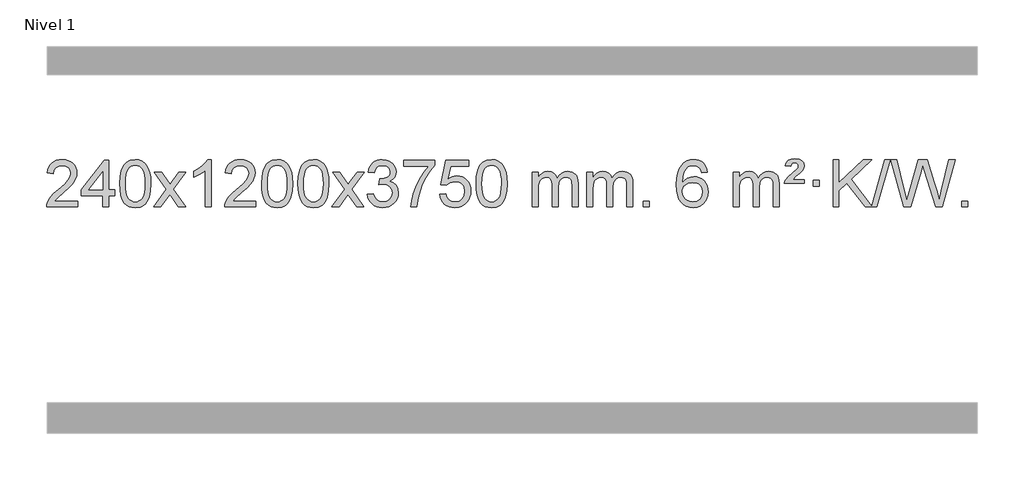
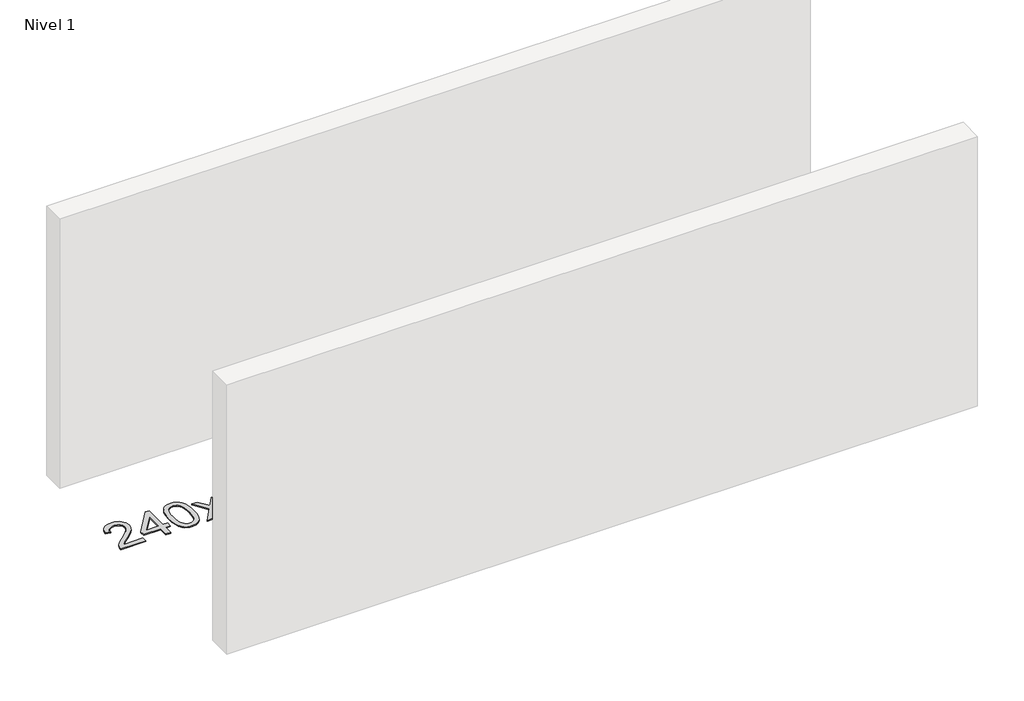
# One storey, part 5 of 14: 1 proxy.
"""IFC4 building model written with IfcOpenShell, lengths in millimetres."""

from ifc_helpers import new_model, si_unit, origin, origin_with_axes, place, context, project, spatial, polyline, outline, extrude, element, save

model = new_model("IFC4")

# Units and contexts
model_context = context("Model", 3, world=origin())
ifc_project = project(units=[si_unit("LENGTHUNIT", "METRE", prefix="MILLI")], contexts=[model_context])

# Site, building, storey
site = spatial("IfcSite", under=ifc_project)
building = spatial("IfcBuilding", under=site)
storey = spatial("IfcBuildingStorey", under=building, Name="Nivel 1", Elevation=0.0)

# Proxy
placement = place(None, origin())
element("IfcBuildingElementProxy", 1, Name="Texto de modelo 1", ObjectType="Texto de modelo 1", at=placement, inside=storey, context=model_context, shape_type="SweptSolid", body=[
    extrude(outline(polyline([(25.9073517, -24490.3512979), (25.9073517, -24540.579453), (-237.7904625, -24540.579453), (-236.6868165, -24522.8965918), (-232.3948599, -24505.9494945), (-220.0094994, -24478.8856424), (-201.8851797, -24452.6311307), (-175.6674562, -24425.1503456), (-139.001884, -24394.4076736), (-84.8006034, -24346.2641831), (-52.279835, -24310.7267824), (-36.0194508, -24281.884834), (-30.5993228, -24253.8277005), (-35.7128825, -24228.6768347), (-51.0535617, -24207.7688747), (-74.6347976, -24193.6789943), (-104.4700274, -24188.9823675), (-135.8013107, -24193.5686297), (-160.142836, -24207.3274163), (-175.8513972, -24229.1796068), (-181.283788, -24258.0460807), (-231.5119431, -24251.7675613), (-227.1923953, -24225.838012), (-219.335049, -24203.1826125), (-207.9399042, -24183.8013627), (-193.0069609, -24167.6942627), (-174.8795756, -24155.0329907), (-153.9011048, -24145.989225), (-130.0715486, -24140.5629655), (-103.3909069, -24138.7542124), (-76.4711419, -24140.7653006), (-52.512827, -24146.7985654), (-31.5159621, -24156.8540066), (-13.4805473, -24170.9316242), (1.0048063, -24187.9890861), (11.3514874, -24206.9840598), (17.5594961, -24227.9165453), (19.6288323, -24250.7865427), (17.3970149, -24274.8092369), (10.7015625, -24298.4149983), (-1.1810259, -24322.4254299), (-18.9742517, -24347.6621347), (-47.3379536, -24377.7916701), (-90.93197, -24416.4805933), (-148.7139687, -24464.795762), (-171.3754996, -24490.3512979), (25.9073517, -24490.3512979)])), origin_with_axes(), (0.0, 0.0, 1.0), 10.0),
    extrude(outline(polyline([(239.3770108, -24540.579453), (239.3770108, -24446.4016622), (57.2999486, -24446.4016622), (57.2999486, -24396.1735072), (251.9340495, -24145.0327318), (289.6051658, -24145.0327318), (289.6051658, -24396.1735072), (339.8333209, -24396.1735072), (339.8333209, -24446.4016622), (289.6051658, -24446.4016622), (289.6051658, -24540.579453), (239.3770108, -24540.579453)]), holes=[polyline([(239.3770108, -24396.1735072), (239.3770108, -24240.9763561), (119.1041238, -24396.1735072), (239.3770108, -24396.1735072)])]), origin_with_axes(), (0.0, 0.0, 1.0), 10.0),
    extrude(outline(polyline([(383.7829566, -24342.9041943), (387.4740393, -24278.5861588), (398.5472873, -24227.2911459), (416.8923362, -24188.2343407), (428.7503991, -24173.0009605), (442.3988212, -24160.6309284), (457.8835875, -24151.0598651), (475.2506833, -24144.2233914), (515.6318637, -24138.7542124), (546.5830022, -24141.991574), (574.2967792, -24151.7036586), (597.4733449, -24167.5103217), (614.8128496, -24189.0314184), (627.9094486, -24216.0830078), (638.3572973, -24248.4811488), (645.1999024, -24289.6226186), (647.4807707, -24342.9041943), (643.8264762, -24406.8543477), (632.8635928, -24458.0267333), (614.6289086, -24497.1203266), (602.7984367, -24512.3996922), (589.1592118, -24524.8341036), (573.6560514, -24534.4695462), (556.2337732, -24541.3520052), (515.6318637, -24546.8579724), (487.9671376, -24544.4667394), (463.4416713, -24537.2930405), (442.0554646, -24525.3368757), (423.8085177, -24508.5982449), (406.2973347, -24478.3399508), (393.7893469, -24440.6381776), (386.2845542, -24395.4929255), (383.7829566, -24342.9041943)]), holes=[polyline([(434.0111117, -24342.8060924), (435.4826396, -24386.4706195), (439.8972236, -24421.8148822), (447.2548635, -24448.8388804), (457.5555594, -24467.5426142), (470.0144963, -24480.2682656), (483.8468593, -24489.3580165), (499.0526484, -24494.8118671), (515.6318637, -24496.6298173), (532.2110789, -24494.8057357), (547.416868, -24489.3334911), (561.2492311, -24480.2130833), (573.708168, -24467.4445124), (584.0088638, -24448.7101217), (591.3665037, -24421.6922549), (595.7810877, -24386.3909118), (597.2526157, -24342.8060924), (595.8301386, -24300.2973278), (591.5627075, -24265.5753989), (584.4503222, -24238.6403055), (574.4929829, -24219.4920476), (562.2425125, -24206.1440625), (548.2507339, -24196.6097875), (532.5176472, -24190.8892225), (515.0432525, -24188.9823675), (498.5498764, -24190.6623619), (483.6016046, -24195.7023452), (470.1984373, -24204.1023175), (458.3403743, -24215.8622786), (447.6963219, -24236.708925), (440.0934273, -24264.8151094), (435.5316906, -24300.1808319), (434.0111117, -24342.8060924)])]), origin_with_axes(), (0.0, 0.0, 1.0), 10.0),
    extrude(outline(polyline([(672.5948483, -24540.579453), (779.918289, -24392.2494325), (678.8733677, -24245.4890419), (739.3041167, -24245.4890419), (788.0607438, -24316.122385), (810.8203766, -24349.4770192), (830.5388515, -24322.2047007), (886.0645073, -24245.4890419), (946.4952564, -24245.4890419), (840.3490381, -24392.2494325), (942.5711818, -24540.579453), (882.1404327, -24540.579453), (820.6305631, -24451.4048574), (809.3488486, -24435.1199477), (733.0255973, -24540.579453), (672.5948483, -24540.579453)])), origin_with_axes(), (0.0, 0.0, 1.0), 10.0),
    extrude(outline(polyline([(1162.3193603, -24540.579453), (1112.0912052, -24540.579453), (1112.0912052, -24227.4382987), (1091.1219315, -24244.3976587), (1064.5118005, -24261.3324932), (1011.634895, -24286.6918254), (1011.634895, -24239.2105225), (1051.0841076, -24217.7507395), (1085.260345, -24192.219729), (1112.2015698, -24165.0700378), (1129.9457447, -24138.7542124), (1162.3193603, -24138.7542124), (1162.3193603, -24540.579453)])), origin_with_axes(), (0.0, 0.0, 1.0), 10.0),
    extrude(outline(polyline([(1539.0305233, -24490.3512979), (1539.0305233, -24540.579453), (1275.3327092, -24540.579453), (1276.4363552, -24522.8965918), (1280.7283118, -24505.9494945), (1293.1136723, -24478.8856424), (1311.2379919, -24452.6311307), (1337.4557154, -24425.1503456), (1374.1212876, -24394.4076736), (1428.3225682, -24346.2641831), (1460.8433366, -24310.7267824), (1477.1037208, -24281.884834), (1482.5238489, -24253.8277005), (1477.4102891, -24228.6768347), (1462.0696099, -24207.7688747), (1438.488374, -24193.6789943), (1408.6531442, -24188.9823675), (1377.321861, -24193.5686297), (1352.9803356, -24207.3274163), (1337.2717744, -24229.1796068), (1331.8393836, -24258.0460807), (1281.6112286, -24251.7675613), (1285.9307763, -24225.838012), (1293.7881226, -24203.1826125), (1305.1832674, -24183.8013627), (1320.1162107, -24167.6942627), (1338.243596, -24155.0329907), (1359.2220668, -24145.989225), (1383.051623, -24140.5629655), (1409.7322647, -24138.7542124), (1436.6520297, -24140.7653006), (1460.6103447, -24146.7985654), (1481.6072095, -24156.8540066), (1499.6426244, -24170.9316242), (1514.1279779, -24187.9890861), (1524.474659, -24206.9840598), (1530.6826677, -24227.9165453), (1532.7520039, -24250.7865427), (1530.5201865, -24274.8092369), (1523.8247342, -24298.4149983), (1511.9421457, -24322.4254299), (1494.1489199, -24347.6621347), (1465.7852181, -24377.7916701), (1422.1912016, -24416.4805933), (1364.4092029, -24464.795762), (1341.747672, -24490.3512979), (1539.0305233, -24490.3512979)])), origin_with_axes(), (0.0, 0.0, 1.0), 10.0),
    extrude(outline(polyline([(1589.2586784, -24342.9041943), (1592.9497611, -24278.5861588), (1604.0230091, -24227.2911459), (1622.368058, -24188.2343407), (1634.2261209, -24173.0009605), (1647.874543, -24160.6309284), (1663.3593093, -24151.0598651), (1680.7264051, -24144.2233914), (1721.1075855, -24138.7542124), (1752.058724, -24141.991574), (1779.772501, -24151.7036586), (1802.9490667, -24167.5103217), (1820.2885714, -24189.0314184), (1833.3851704, -24216.0830078), (1843.833019, -24248.4811488), (1850.6756242, -24289.6226186), (1852.9564925, -24342.9041943), (1849.302198, -24406.8543477), (1838.3393146, -24458.0267333), (1820.1046304, -24497.1203266), (1808.2741585, -24512.3996922), (1794.6349336, -24524.8341036), (1779.1317731, -24534.4695462), (1761.709495, -24541.3520052), (1721.1075855, -24546.8579724), (1693.4428594, -24544.4667394), (1668.9173931, -24537.2930405), (1647.5311864, -24525.3368757), (1629.2842395, -24508.5982449), (1611.7730565, -24478.3399508), (1599.2650687, -24440.6381776), (1591.760276, -24395.4929255), (1589.2586784, -24342.9041943)]), holes=[polyline([(1639.4868335, -24342.8060924), (1640.9583614, -24386.4706195), (1645.3729454, -24421.8148822), (1652.7305853, -24448.8388804), (1663.0312812, -24467.5426142), (1675.4902181, -24480.2682656), (1689.3225811, -24489.3580165), (1704.5283702, -24494.8118671), (1721.1075855, -24496.6298173), (1737.6868007, -24494.8057357), (1752.8925898, -24489.3334911), (1766.7249529, -24480.2130833), (1779.1838898, -24467.4445124), (1789.4845856, -24448.7101217), (1796.8422255, -24421.6922549), (1801.2568095, -24386.3909118), (1802.7283375, -24342.8060924), (1801.3058604, -24300.2973278), (1797.0384293, -24265.5753989), (1789.926044, -24238.6403055), (1779.9687047, -24219.4920476), (1767.7182342, -24206.1440625), (1753.7264557, -24196.6097875), (1737.993369, -24190.8892225), (1720.5189743, -24188.9823675), (1704.0255981, -24190.6623619), (1689.0773264, -24195.7023452), (1675.6741591, -24204.1023175), (1663.8160961, -24215.8622786), (1653.1720437, -24236.708925), (1645.5691491, -24264.8151094), (1641.0074124, -24300.1808319), (1639.4868335, -24342.8060924)])]), origin_with_axes(), (0.0, 0.0, 1.0), 10.0),
    extrude(outline(polyline([(1896.9061282, -24342.9041943), (1900.5972109, -24278.5861588), (1911.670459, -24227.2911459), (1930.0155078, -24188.2343407), (1941.8735708, -24173.0009605), (1955.5219928, -24160.6309284), (1971.0067591, -24151.0598651), (1988.373855, -24144.2233914), (2028.7550353, -24138.7542124), (2059.7061738, -24141.991574), (2087.4199508, -24151.7036586), (2110.5965165, -24167.5103217), (2127.9360212, -24189.0314184), (2141.0326202, -24216.0830078), (2151.4804689, -24248.4811488), (2158.323074, -24289.6226186), (2160.6039424, -24342.9041943), (2156.9496479, -24406.8543477), (2145.9867644, -24458.0267333), (2127.7520802, -24497.1203266), (2115.9216084, -24512.3996922), (2102.2823834, -24524.8341036), (2086.779223, -24534.4695462), (2069.3569448, -24541.3520052), (2028.7550353, -24546.8579724), (2001.0903093, -24544.4667394), (1976.5648429, -24537.2930405), (1955.1786363, -24525.3368757), (1936.9316893, -24508.5982449), (1919.4205063, -24478.3399508), (1906.9125185, -24440.6381776), (1899.4077258, -24395.4929255), (1896.9061282, -24342.9041943)]), holes=[polyline([(1947.1342833, -24342.8060924), (1948.6058113, -24386.4706195), (1953.0203952, -24421.8148822), (1960.3780351, -24448.8388804), (1970.678731, -24467.5426142), (1983.1376679, -24480.2682656), (1996.9700309, -24489.3580165), (2012.17582, -24494.8118671), (2028.7550353, -24496.6298173), (2045.3342505, -24494.8057357), (2060.5400397, -24489.3334911), (2074.3724027, -24480.2130833), (2086.8313396, -24467.4445124), (2097.1320355, -24448.7101217), (2104.4896754, -24421.6922549), (2108.9042593, -24386.3909118), (2110.3757873, -24342.8060924), (2108.9533102, -24300.2973278), (2104.6858791, -24265.5753989), (2097.5734939, -24238.6403055), (2087.6161545, -24219.4920476), (2075.3656841, -24206.1440625), (2061.3739055, -24196.6097875), (2045.6408189, -24190.8892225), (2028.1664241, -24188.9823675), (2011.673048, -24190.6623619), (1996.7247762, -24195.7023452), (1983.3216089, -24204.1023175), (1971.4635459, -24215.8622786), (1960.8194935, -24236.708925), (1953.2165989, -24264.8151094), (1948.6548622, -24300.1808319), (1947.1342833, -24342.8060924)])]), origin_with_axes(), (0.0, 0.0, 1.0), 10.0),
    extrude(outline(polyline([(2185.7180199, -24540.579453), (2293.0414606, -24392.2494325), (2191.9965393, -24245.4890419), (2252.4272884, -24245.4890419), (2301.1839155, -24316.122385), (2323.9435482, -24349.4770192), (2343.6620232, -24322.2047007), (2399.187679, -24245.4890419), (2459.618428, -24245.4890419), (2353.4722097, -24392.2494325), (2455.6943534, -24540.579453), (2395.2636044, -24540.579453), (2333.7537348, -24451.4048574), (2322.4720202, -24435.1199477), (2246.148769, -24540.579453), (2185.7180199, -24540.579453)])), origin_with_axes(), (0.0, 0.0, 1.0), 10.0),
    extrude(outline(polyline([(2487.0869503, -24433.8446235), (2537.3151054, -24427.5661041), (2548.5600317, -24459.1303793), (2565.0288824, -24480.4430095), (2587.5309978, -24492.5831154), (2616.8757182, -24496.6298173), (2651.309473, -24491.0625364), (2665.5832944, -24484.1034354), (2677.8950785, -24474.3606939), (2694.8912267, -24449.4428201), (2700.5566094, -24419.2274455), (2694.9402776, -24390.5449126), (2678.0912822, -24367.2825078), (2652.5847972, -24351.8682522), (2620.9959966, -24346.730167), (2585.7774269, -24352.2238715), (2591.3692332, -24301.9957164), (2599.4135862, -24302.5843276), (2629.5063334, -24298.979084), (2656.41077, -24288.1633534), (2667.4840181, -24279.9841103), (2675.3934809, -24269.8673555), (2680.1391587, -24257.8130888), (2681.7210513, -24243.8213102), (2677.1347891, -24222.1285352), (2663.3760024, -24204.5315131), (2642.3822032, -24192.8696539), (2616.0909033, -24188.9823675), (2589.7505525, -24192.9064421), (2568.217193, -24204.6786659), (2552.4963691, -24224.299039), (2543.5936248, -24251.7675613), (2493.3654697, -24245.4890419), (2499.3190267, -24221.5092672), (2508.1543259, -24200.3867093), (2519.8713675, -24182.1213683), (2534.4701513, -24166.713244), (2551.490825, -24154.4811677), (2570.4735359, -24145.7439703), (2591.4182842, -24140.5016519), (2614.3250697, -24138.7542124), (2645.9016077, -24142.2000404), (2674.9029716, -24152.5375245), (2699.3548616, -24168.8469596), (2717.2829775, -24190.2086408), (2728.2826491, -24214.8199463), (2731.9492063, -24240.8782543), (2728.4665901, -24265.1584659), (2718.0187415, -24287.1823347), (2700.7528131, -24305.9443165), (2676.815958, -24320.4388671), (2708.2576058, -24333.1430586), (2731.5567989, -24354.77452), (2745.9777731, -24384.1560286), (2750.7847645, -24420.1103623), (2748.3812688, -24445.5923218), (2741.1707817, -24469.0631931), (2729.1533032, -24490.5229762), (2712.3288333, -24509.971671), (2691.8316748, -24526.1094278), (2668.7961305, -24537.636397), (2643.2222005, -24544.5525785), (2615.1098847, -24546.8579724), (2589.7015015, -24544.8898037), (2566.5494613, -24538.9852977), (2545.653764, -24529.1444543), (2527.0144096, -24515.3672736), (2511.3855561, -24498.4630959), (2499.5213618, -24479.2412617), (2491.4218265, -24457.7017708), (2487.0869503, -24433.8446235)])), origin_with_axes(), (0.0, 0.0, 1.0), 10.0),
    extrude(outline(polyline([(2794.7344002, -24195.2608869), (2794.7344002, -24145.0327318), (3058.4322143, -24145.0327318), (3058.4322143, -24185.646904), (3020.8469372, -24233.214046), (2983.629542, -24293.7061088), (2950.8022053, -24361.6048623), (2926.3871035, -24431.3920768), (2914.4186759, -24483.6067947), (2907.7477491, -24540.579453), (2857.519594, -24540.579453), (2862.9519848, -24488.8061935), (2877.4833236, -24427.2717985), (2900.721203, -24362.0463207), (2932.2732154, -24299.1998132), (2969.1104659, -24242.3865704), (3008.2040592, -24195.2608869), (2794.7344002, -24195.2608869)])), origin_with_axes(), (0.0, 0.0, 1.0), 10.0),
    extrude(outline(polyline([(3102.38185, -24433.8446235), (3152.6100051, -24427.5661041), (3161.8315804, -24457.7201649), (3177.9202864, -24479.3148381), (3200.8025465, -24492.3010725), (3230.4047843, -24496.6298173), (3249.5346481, -24495.1245668), (3266.4081689, -24490.6088153), (3281.0253469, -24483.0825628), (3293.3861819, -24472.5458094), (3303.2147625, -24459.519721), (3310.2351773, -24444.5254641), (3315.8515091, -24408.6324441), (3310.5907966, -24374.8363514), (3304.0149059, -24360.9181493), (3294.808659, -24348.9865099), (3282.9413989, -24339.4154467), (3268.382469, -24332.5789729), (3231.1895993, -24327.1097939), (3206.8235484, -24329.2925604), (3187.0928108, -24335.8408599), (3171.3351986, -24345.8717757), (3158.8885245, -24358.5023908), (3108.6603694, -24352.2238715), (3152.6100051, -24145.0327318), (3347.244106, -24145.0327318), (3347.244106, -24195.2608869), (3193.2241774, -24195.2608869), (3171.7398688, -24305.919791), (3189.4656496, -24293.2155994), (3207.6206261, -24284.1411769), (3226.2047982, -24278.6965234), (3245.218166, -24276.8816388), (3269.679253, -24279.1318504), (3292.1476459, -24285.882485), (3312.6233446, -24297.1335427), (3331.1063491, -24312.8850234), (3346.4071745, -24332.1743027), (3357.3363354, -24354.038756), (3363.893832, -24378.4783832), (3366.0796642, -24405.4931844), (3364.1114955, -24431.5147042), (3358.2069895, -24455.7213394), (3348.3661461, -24478.1130902), (3334.5889654, -24498.6899565), (3313.7177935, -24519.7634634), (3289.3640054, -24534.8159684), (3261.5276011, -24543.8474714), (3230.2085806, -24546.8579724), (3204.2882284, -24544.9235262), (3180.8756051, -24539.1201877), (3159.9707107, -24529.447957), (3141.5735452, -24515.9068338), (3126.2665886, -24499.1712688), (3114.6323205, -24479.915712), (3106.6707409, -24458.1401636), (3102.38185, -24433.8446235)])), origin_with_axes(), (0.0, 0.0, 1.0), 10.0),
    extrude(outline(polyline([(3410.0292998, -24342.9041943), (3413.7203825, -24278.5861588), (3424.7936306, -24227.2911459), (3443.1386794, -24188.2343407), (3454.9967424, -24173.0009605), (3468.6451644, -24160.6309284), (3484.1299307, -24151.0598651), (3501.4970266, -24144.2233914), (3541.8782069, -24138.7542124), (3572.8293454, -24141.991574), (3600.5431224, -24151.7036586), (3623.7196881, -24167.5103217), (3641.0591928, -24189.0314184), (3654.1557918, -24216.0830078), (3664.6036405, -24248.4811488), (3671.4462456, -24289.6226186), (3673.727114, -24342.9041943), (3670.0728195, -24406.8543477), (3659.109936, -24458.0267333), (3640.8752518, -24497.1203266), (3629.04478, -24512.3996922), (3615.405555, -24524.8341036), (3599.9023946, -24534.4695462), (3582.4801165, -24541.3520052), (3541.8782069, -24546.8579724), (3514.2134809, -24544.4667394), (3489.6880145, -24537.2930405), (3468.3018079, -24525.3368757), (3450.0548609, -24508.5982449), (3432.543678, -24478.3399508), (3420.0356901, -24440.6381776), (3412.5308974, -24395.4929255), (3410.0292998, -24342.9041943)]), holes=[polyline([(3460.2574549, -24342.8060924), (3461.7289829, -24386.4706195), (3466.1435668, -24421.8148822), (3473.5012067, -24448.8388804), (3483.8019026, -24467.5426142), (3496.2608395, -24480.2682656), (3510.0932025, -24489.3580165), (3525.2989917, -24494.8118671), (3541.8782069, -24496.6298173), (3558.4574222, -24494.8057357), (3573.6632113, -24489.3334911), (3587.4955743, -24480.2130833), (3599.9545112, -24467.4445124), (3610.2552071, -24448.7101217), (3617.612847, -24421.6922549), (3622.0274309, -24386.3909118), (3623.4989589, -24342.8060924), (3622.0764819, -24300.2973278), (3617.8090507, -24265.5753989), (3610.6966655, -24238.6403055), (3600.7393261, -24219.4920476), (3588.4888557, -24206.1440625), (3574.4970772, -24196.6097875), (3558.7639905, -24190.8892225), (3541.2895957, -24188.9823675), (3524.7962196, -24190.6623619), (3509.8479479, -24195.7023452), (3496.4447805, -24204.1023175), (3484.5867175, -24215.8622786), (3473.9426651, -24236.708925), (3466.3397706, -24264.8151094), (3461.7780338, -24300.1808319), (3460.2574549, -24342.8060924)])]), origin_with_axes(), (0.0, 0.0, 1.0), 10.0),
    extrude(outline(polyline([(3887.1967731, -24540.579453), (3887.1967731, -24245.4890419), (3937.4249281, -24245.4890419), (3937.4249281, -24294.0494653), (3952.5326154, -24271.7435537), (3971.9567847, -24254.2691589), (3995.0352486, -24242.9751816), (4021.1058193, -24239.2105225), (4049.0403255, -24243.048758), (4071.4320762, -24254.5634645), (4088.1584443, -24272.9943524), (4099.0968023, -24297.5811324), (4117.4050629, -24272.0439906), (4138.2884975, -24253.803175), (4161.7471061, -24242.8586857), (4187.7808886, -24239.2105225), (4207.8887053, -24240.7280358), (4225.537844, -24245.2805755), (4240.7283047, -24252.8681416), (4253.4600875, -24263.4907342), (4263.5247257, -24277.2709806), (4270.713753, -24294.3315082), (4275.0271694, -24314.6723168), (4276.4649749, -24338.2934066), (4276.4649749, -24540.579453), (4226.2368198, -24540.579453), (4226.2368198, -24359.875817), (4225.0718602, -24334.8230531), (4221.5769812, -24317.9372695), (4215.0286817, -24306.3735121), (4204.7034604, -24297.2868268), (4191.4229203, -24291.4007149), (4176.0086647, -24289.4386776), (4148.7976598, -24294.4663982), (4126.6143755, -24309.54956), (4118.0090025, -24321.1194488), (4111.8623075, -24335.7182326), (4106.9449515, -24374.0024856), (4106.9449515, -24540.579453), (4056.7167964, -24540.579453), (4056.7167964, -24354.2840106), (4053.8105287, -24325.8835206), (4045.0917254, -24305.6254854), (4029.7510462, -24293.4853796), (4006.9791507, -24289.4386776), (3987.6285577, -24292.1364789), (3969.7985437, -24300.2298828), (3955.0832639, -24313.5226856), (3945.0768736, -24331.8186835), (3939.3379145, -24357.2025411), (3937.4249281, -24391.7589232), (3937.4249281, -24540.579453), (3887.1967731, -24540.579453)])), origin_with_axes(), (0.0, 0.0, 1.0), 10.0),
    extrude(outline(polyline([(4351.8072075, -24540.579453), (4351.8072075, -24245.4890419), (4402.0353626, -24245.4890419), (4402.0353626, -24294.0494653), (4417.1430498, -24271.7435537), (4436.5672192, -24254.2691589), (4459.645683, -24242.9751816), (4485.7162537, -24239.2105225), (4513.6507599, -24243.048758), (4536.0425107, -24254.5634645), (4552.7688787, -24272.9943524), (4563.7072367, -24297.5811324), (4582.0154973, -24272.0439906), (4602.8989319, -24253.803175), (4626.3575405, -24242.8586857), (4652.391323, -24239.2105225), (4672.4991397, -24240.7280358), (4690.1482785, -24245.2805755), (4705.3387392, -24252.8681416), (4718.0705219, -24263.4907342), (4728.1351602, -24277.2709806), (4735.3241875, -24294.3315082), (4739.6376039, -24314.6723168), (4741.0754093, -24338.2934066), (4741.0754093, -24540.579453), (4690.8472543, -24540.579453), (4690.8472543, -24359.875817), (4689.6822946, -24334.8230531), (4686.1874157, -24317.9372695), (4679.6391161, -24306.3735121), (4669.3138948, -24297.2868268), (4656.0333548, -24291.4007149), (4640.6190992, -24289.4386776), (4613.4080943, -24294.4663982), (4591.22481, -24309.54956), (4582.619437, -24321.1194488), (4576.472742, -24335.7182326), (4571.555386, -24374.0024856), (4571.555386, -24540.579453), (4521.3272309, -24540.579453), (4521.3272309, -24354.2840106), (4518.4209631, -24325.8835206), (4509.7021598, -24305.6254854), (4494.3614806, -24293.4853796), (4471.5895851, -24289.4386776), (4452.2389922, -24292.1364789), (4434.4089782, -24300.2298828), (4419.6936983, -24313.5226856), (4409.6873081, -24331.8186835), (4403.948349, -24357.2025411), (4402.0353626, -24391.7589232), (4402.0353626, -24540.579453), (4351.8072075, -24540.579453)])), origin_with_axes(), (0.0, 0.0, 1.0), 10.0),
    extrude(outline(polyline([(4828.9746807, -24540.579453), (4828.9746807, -24490.3512979), (4879.2028358, -24490.3512979), (4879.2028358, -24540.579453), (4828.9746807, -24540.579453)])), origin_with_axes(), (0.0, 0.0, 1.0), 10.0),
    extrude(outline(polyline([(5375.2058671, -24245.4890419), (5324.9777121, -24251.7675613), (5316.8843082, -24226.874213), (5305.9459502, -24209.8780648), (5283.161792, -24194.2062918), (5255.6196933, -24188.9823675), (5232.2714493, -24192.0235253), (5210.2966314, -24201.1469988), (5191.4242851, -24220.3627017), (5176.0100295, -24246.8134171), (5165.598969, -24284.227016), (5161.7362081, -24336.3313693), (5181.8838787, -24312.8237098), (5206.0292003, -24296.2567573), (5232.8232723, -24286.434308), (5260.917194, -24283.1601582), (5285.0502529, -24285.398107), (5307.3193763, -24292.1119534), (5327.7245643, -24303.3016975), (5346.2658169, -24318.9673391), (5361.6739411, -24338.1769106), (5372.6797441, -24359.9984443), (5379.2832259, -24384.4319401), (5381.4843865, -24411.4773982), (5377.3395827, -24447.4439945), (5364.9051713, -24480.786366), (5345.2112218, -24509.0642287), (5319.2878039, -24529.8372987), (5288.3121399, -24542.602804), (5253.4614522, -24546.8579724), (5223.5189235, -24544.0375437), (5196.4765312, -24535.5762579), (5172.3342752, -24521.4741147), (5151.0921557, -24501.7311143), (5133.7741108, -24475.5133908), (5121.4040787, -24441.9870783), (5113.9820594, -24401.1521768), (5111.508053, -24353.0086864), (5114.2549052, -24299.0342663), (5122.4954619, -24252.9693092), (5136.2297231, -24214.8138149), (5155.4576887, -24184.5677835), (5176.2982037, -24164.5243462), (5200.4619194, -24150.2076052), (5227.9488358, -24141.6175606), (5258.7589529, -24138.7542124), (5281.8925991, -24140.5261773), (5302.831216, -24145.8420722), (5321.5748036, -24154.7018969), (5338.123362, -24167.1056515), (5352.0293015, -24182.6364031), (5362.8450321, -24200.8772186), (5370.570554, -24221.8280983), (5375.2058671, -24245.4890419)]), holes=[polyline([(5161.7362081, -24410.6925832), (5164.6424758, -24432.9494439), (5173.3612791, -24454.2007605), (5186.8993366, -24472.472233), (5204.2633667, -24485.7895612), (5225.2203777, -24493.9197533), (5249.5373776, -24496.6298173), (5282.6835454, -24491.0134855), (5296.5986818, -24483.9930708), (5308.7418534, -24474.1644901), (5318.5918938, -24461.9262824), (5325.6276369, -24447.6769865), (5331.2562315, -24413.1451299), (5325.7012133, -24379.9989621), (5318.7574407, -24366.3781312), (5309.036159, -24354.725469), (5296.8561992, -24345.3904634), (5282.5363926, -24338.7226022), (5247.4772384, -24333.3883133), (5214.3801216, -24338.7226022), (5186.7031328, -24354.725469), (5175.7801032, -24366.2248471), (5167.9779393, -24379.3858254), (5163.2966409, -24394.2084042), (5161.7362081, -24410.6925832)])]), origin_with_axes(), (0.0, 0.0, 1.0), 10.0),
    extrude(outline(polyline([(5594.9540456, -24540.579453), (5594.9540456, -24245.4890419), (5645.1822007, -24245.4890419), (5645.1822007, -24294.0494653), (5660.2898879, -24271.7435537), (5679.7140573, -24254.2691589), (5702.7925211, -24242.9751816), (5728.8630918, -24239.2105225), (5756.797598, -24243.048758), (5779.1893488, -24254.5634645), (5795.9157168, -24272.9943524), (5806.8540748, -24297.5811324), (5825.1623355, -24272.0439906), (5846.04577, -24253.803175), (5869.5043786, -24242.8586857), (5895.5381611, -24239.2105225), (5915.6459778, -24240.7280358), (5933.2951166, -24245.2805755), (5948.4855773, -24252.8681416), (5961.21736, -24263.4907342), (5971.2819983, -24277.2709806), (5978.4710256, -24294.3315082), (5982.784442, -24314.6723168), (5984.2222474, -24338.2934066), (5984.2222474, -24540.579453), (5933.9940924, -24540.579453), (5933.9940924, -24359.875817), (5932.8291327, -24334.8230531), (5929.3342538, -24317.9372695), (5922.7859542, -24306.3735121), (5912.4607329, -24297.2868268), (5899.1801929, -24291.4007149), (5883.7659373, -24289.4386776), (5856.5549324, -24294.4663982), (5834.3716481, -24309.54956), (5825.7662751, -24321.1194488), (5819.6195801, -24335.7182326), (5814.7022241, -24374.0024856), (5814.7022241, -24540.579453), (5764.474069, -24540.579453), (5764.474069, -24354.2840106), (5761.5678012, -24325.8835206), (5752.8489979, -24305.6254854), (5737.5083187, -24293.4853796), (5714.7364232, -24289.4386776), (5695.3858303, -24292.1364789), (5677.5558163, -24300.2298828), (5662.8405364, -24313.5226856), (5652.8341462, -24331.8186835), (5647.0951871, -24357.2025411), (5645.1822007, -24391.7589232), (5645.1822007, -24540.579453), (5594.9540456, -24540.579453)])), origin_with_axes(), (0.0, 0.0, 1.0), 10.0),
    extrude(outline(polyline([(6028.1718831, -24339.6668327), (6031.9978559, -24323.8479069), (6040.3365144, -24307.9799302), (6061.8453484, -24282.8413272), (6093.8020311, -24255.1030247), (6137.9478705, -24217.726214), (6145.0847812, -24206.1992448), (6147.4637514, -24194.3779701), (6145.5752905, -24182.2869152), (6139.9099078, -24172.5012541), (6130.5411796, -24166.026531), (6117.5426825, -24163.8682899), (6105.108271, -24165.4869707), (6096.2545777, -24170.343013), (6089.8289055, -24179.8098431), (6084.6785576, -24195.2608869), (6034.4504025, -24188.9823675), (6045.2906586, -24163.7701881), (6061.9189248, -24146.2099542), (6085.6841017, -24135.9092583), (6117.9350899, -24132.475693), (6153.7177453, -24136.6082341), (6178.4639409, -24149.0058573), (6192.8849151, -24167.3386434), (6197.6919065, -24189.2766731), (6193.5961536, -24212.1834586), (6181.308895, -24233.8149199), (6160.7810797, -24253.6314968), (6124.3117112, -24281.6886303), (6098.7071243, -24308.2742358), (6197.6919065, -24308.2742358), (6197.6919065, -24339.6668327), (6028.1718831, -24339.6668327)])), origin_with_axes(), (0.0, 0.0, 1.0), 10.0),
    extrude(outline(polyline([(6273.0341391, -24364.7809102), (6273.0341391, -24314.5527552), (6323.2622942, -24314.5527552), (6323.2622942, -24364.7809102), (6273.0341391, -24364.7809102)])), origin_with_axes(), (0.0, 0.0, 1.0), 10.0),
    extrude(outline(polyline([(6713.9039221, -24540.579453), (6560.4726047, -24337.9009991), (6492.7823176, -24402.4520265), (6492.7823176, -24540.579453), (6442.5541625, -24540.579453), (6442.5541625, -24138.7542124), (6492.7823176, -24138.7542124), (6492.7823176, -24335.4484525), (6698.7962349, -24138.7542124), (6769.0371705, -24138.7542124), (6596.0835818, -24303.9577537), (6770.7371917, -24534.5349332), (6882.0505194, -24138.7542124), (6927.3735812, -24138.7542124), (6814.3602323, -24540.579453), (6775.3156899, -24540.579453), (6769.0371705, -24540.579453), (6713.9039221, -24540.579453)])), origin_with_axes(), (0.0, 0.0, 1.0), 10.0),
    extrude(outline(polyline([(7041.8584581, -24540.579453), (6932.2786745, -24138.7542124), (6984.0764594, -24138.7542124), (7047.6464682, -24402.844434), (7067.2668412, -24484.3670841), (7088.2606404, -24412.2622131), (7167.9193551, -24138.7542124), (7242.5748747, -24138.7542124), (7300.4549752, -24337.0180823), (7325.2502217, -24410.5944814), (7343.5216941, -24484.3670841), (7362.553456, -24405.1988788), (7426.712076, -24138.7542124), (7478.5098609, -24138.7542124), (7368.8319754, -24540.579453), (7315.170255, -24540.579453), (7218.8342232, -24230.5775584), (7205.3942677, -24187.3146358), (7190.2865804, -24239.4067263), (7102.4854109, -24540.579453), (7041.8584581, -24540.579453)])), origin_with_axes(), (0.0, 0.0, 1.0), 10.0),
    extrude(outline(polyline([(7535.0165354, -24540.579453), (7535.0165354, -24490.3512979), (7585.2446904, -24490.3512979), (7585.2446904, -24540.579453), (7535.0165354, -24540.579453)])), origin_with_axes(), (0.0, 0.0, 1.0), 10.0),
])

save(model, "model.ifc")
